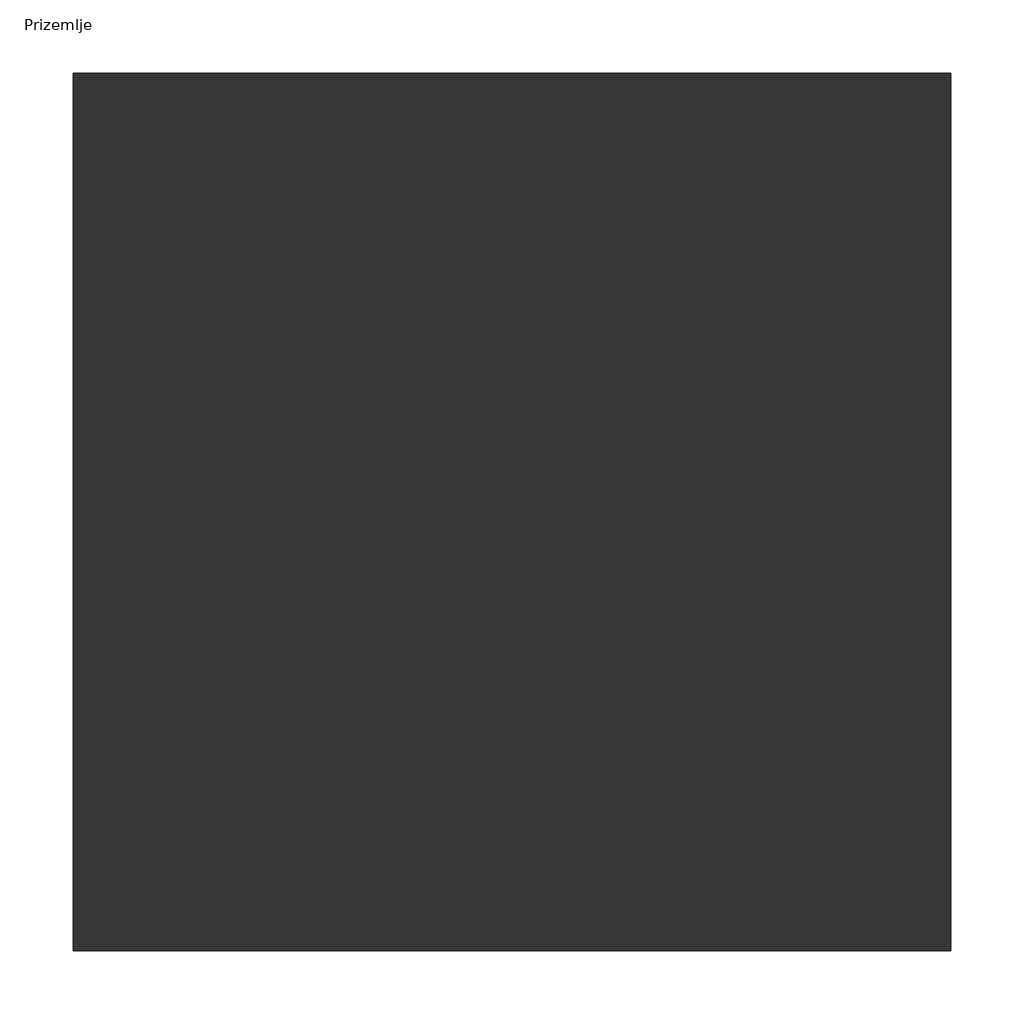
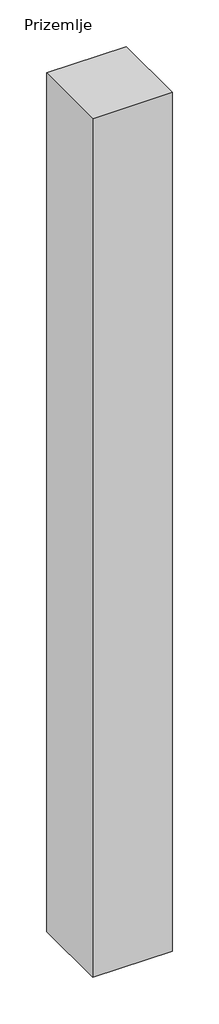
# One storey, part 2 of 7: 1 column.
"""IFC4 building model written with IfcOpenShell, lengths in millimetres."""

from ifc_helpers import new_model, si_unit, origin, origin_with_axes, place, context, project, spatial, polyline, outline, extrude, element, save

model = new_model("IFC4")

# Units and contexts
model_context = context("Model", 3, world=origin())
ifc_project = project(units=[si_unit("LENGTHUNIT", "METRE", prefix="MILLI")], contexts=[model_context])

# Site, building, storey
site = spatial("IfcSite", under=ifc_project)
building = spatial("IfcBuilding", under=site)
storey = spatial("IfcBuildingStorey", under=building, Name="Prizemlje", Elevation=0.0)

# Column
placement = place(None, origin())
element("IfcColumn", 1, ObjectType="Rectangular Column", at=placement, inside=storey, context=model_context, shape_type="SweptSolid", body=[
    extrude(outline(polyline([(8742.3871269, -13723.0554662), (8742.3871269, -14323.0554662), (8142.3871269, -14323.0554662), (8142.3871269, -13723.0554662), (8742.3871269, -13723.0554662)])), origin_with_axes(), (0.0, 0.0, 1.0), 6840.0),
])

save(model, "model.ifc")
